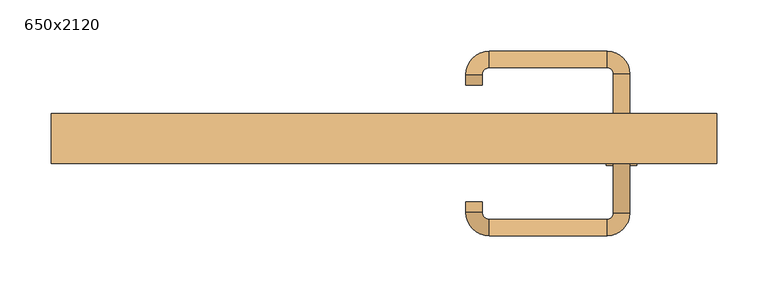
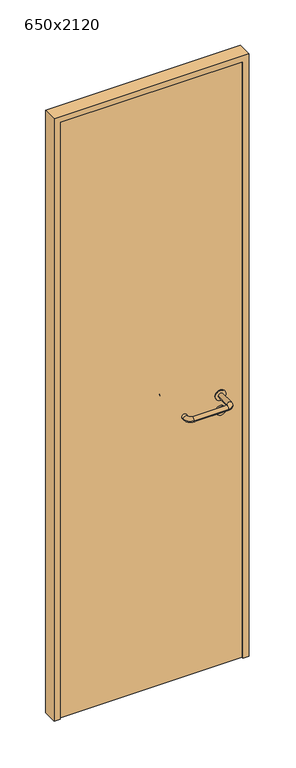
"""IFC4 building model written with IfcOpenShell, lengths in millimetres: door geometry, 650x2120."""

from ifc_helpers import new_model, si_unit, point, frame, frame_2d, origin, origin_with_axes, place, context, project, spatial, polyline, circle_curve, ellipse_curve, trimmed, segment, composite_curve, outline, extrude, source, transform, mapped, element, save
from ifc_brep_helpers import plane_surface, cylinder_surface, revolved_surface, advanced_brep


def door_650x2120_926cf7cd(model_context):
    return source(origin(), model_context, "Body", "SolidModel", [
        extrude(outline(composite_curve([segment(trimmed(circle_curve(frame_2d((897.3605726, 232.0)), 15.0), [point((897.3605726, 247.0))], [point((897.3605726, 217.0))], False, "CARTESIAN"), True, "CONTINUOUS"), segment(trimmed(circle_curve(frame_2d((897.3605726, 232.0)), 15.0), [point((897.3605726, 217.0))], [point((897.3605726, 247.0))], False, "CARTESIAN"), True, "CONTINUOUS")], self_intersect=False), holes=[composite_curve([segment(trimmed(circle_curve(frame_2d((892.5833211, 231.9398032)), 2.0), [point((892.5833211, 233.9398032))], [point((892.5833211, 229.9398032))], True, "CARTESIAN"), True, "CONTINUOUS"), segment(polyline([(892.5833211, 229.9398032), (902.5833211, 229.9398032)]), True, "CONTINUOUS"), segment(trimmed(circle_curve(frame_2d((902.5833211, 231.9398032)), 2.0), [point((902.5833211, 229.9398032))], [point((902.5833211, 233.9398032))], True, "CARTESIAN"), True, "CONTINUOUS"), segment(polyline([(902.5833211, 233.9398032), (892.5833211, 233.9398032)]), True, "CONTINUOUS")], self_intersect=False)]), frame((0.0, 10.0, 0.0), z_axis=(0.0, 1.0, 0.0), x_axis=(0.0, 0.0, 1.0)), (0.0, 0.0, 1.0), 6.35),
        extrude(outline(composite_curve([segment(trimmed(circle_curve(frame_2d((950.0, 232.0)), 17.526), [point((950.0, 249.526))], [point((950.0, 214.474))], False, "CARTESIAN"), True, "CONTINUOUS"), segment(trimmed(circle_curve(frame_2d((950.0, 232.0)), 17.526), [point((950.0, 214.474))], [point((950.0, 249.526))], False, "CARTESIAN"), True, "CONTINUOUS")], self_intersect=False)), frame((0.0, 10.0, 0.0), z_axis=(0.0, 1.0, 0.0), x_axis=(0.0, 0.0, 1.0)), (0.0, 0.0, 1.0), 3.175),
        advanced_brep(
        [(240.0, 10.0, 950.0), (224.0, 10.0, 950.0), (240.0, 63.0, 950.0), (224.0, 63.0, 950.0), (217.8578644, 69.1421356, 950.0), (217.8578644, 85.1421356, 950.0), (102.8578644, 85.1421356, 950.0), (102.8578644, 69.1421356, 950.0), (96.008622, 62.2928932, 950.0), (80.008622, 62.2928932, 950.0), (80.008622, 52.2928932, 950.0), (96.008622, 52.2928932, 950.0)],
        [
            (0, 1, circle_curve(frame((232.0, 10.0, 950.0), z_axis=(0.0, -1.0, 0.0), x_axis=(-1.0, 0.0, 0.0)), 8.0)),
            (1, 0, circle_curve(frame((232.0, 10.0, 950.0), z_axis=(0.0, -1.0, 0.0), x_axis=(-1.0, 0.0, 0.0)), 8.0)),
            (0, 2),
            (2, 3, circle_curve(frame((232.0, 63.0, 950.0), z_axis=(0.0, -1.0, 0.0), x_axis=(-1.0, 0.0, 0.0)), 8.0)),
            (3, 1),
            (3, 2, circle_curve(frame((232.0, 63.0, 950.0), z_axis=(0.0, -1.0, 0.0), x_axis=(-1.0, 0.0, 0.0)), 8.0)),
            (4, 3, circle_curve(frame((217.8578644, 63.0, 950.0), z_axis=(0.0, 0.0, -1.0), x_axis=(1.0, 0.0, 0.0)), 6.1421356)),
            (2, 5, circle_curve(frame((217.8578644, 63.0, 950.0), z_axis=(0.0, 0.0, 1.0), x_axis=(1.0, 0.0, 0.0)), 22.1421356)),
            (5, 4, circle_curve(frame((217.8578644, 77.1421356, 950.0), z_axis=(1.0, 0.0, 0.0), x_axis=(0.0, -1.0, 0.0)), 8.0)),
            (4, 5, circle_curve(frame((217.8578644, 77.1421356, 950.0), z_axis=(1.0, 0.0, 0.0), x_axis=(0.0, -1.0, 0.0)), 8.0)),
            (5, 6),
            (6, 7, circle_curve(frame((102.8578644, 77.1421356, 950.0), z_axis=(1.0, 0.0, 0.0), x_axis=(0.0, -1.0, 0.0)), 8.0)),
            (7, 4),
            (7, 6, circle_curve(frame((102.8578644, 77.1421356, 950.0), z_axis=(1.0, 0.0, 0.0), x_axis=(0.0, -1.0, 0.0)), 8.0)),
            (8, 7, circle_curve(frame((102.8578644, 62.2928932, 950.0), z_axis=(0.0, 0.0, -1.0), x_axis=(0.0, 1.0, 0.0)), 6.8492424)),
            (6, 9, circle_curve(frame((102.8578644, 62.2928932, 950.0), z_axis=(0.0, 0.0, 1.0), x_axis=(0.0, 1.0, 0.0)), 22.8492424)),
            (9, 8, circle_curve(frame((88.008622, 62.2928932, 950.0), z_axis=(0.0, 1.0, 0.0), x_axis=(1.0, 0.0, 0.0)), 8.0)),
            (8, 9, circle_curve(frame((88.008622, 62.2928932, 950.0), z_axis=(0.0, 1.0, 0.0), x_axis=(1.0, 0.0, 0.0)), 8.0)),
            (10, 11, circle_curve(frame((88.008622, 52.2928932, 950.0), z_axis=(0.0, -1.0, 0.0), x_axis=(1.0, 0.0, 0.0)), 8.0)),
            (11, 10, circle_curve(frame((88.008622, 52.2928932, 950.0), z_axis=(0.0, -1.0, 0.0), x_axis=(1.0, 0.0, 0.0)), 8.0)),
            (9, 10),
            (11, 8),
        ],
        [
            plane_surface(frame((232.0, 10.0, 0.0), z_axis=(0.0, -1.0, 0.0), x_axis=(0.0, 0.0, 1.0))),
            cylinder_surface(frame((232.0, 10.0, 950.0), z_axis=(0.0, -1.0, 0.0), x_axis=(-1.0, 0.0, 0.0)), 8.0),
            revolved_surface(trimmed(ellipse_curve(frame((232.0, 63.0, 950.0), z_axis=(0.0, -1.0, 0.0), x_axis=(-1.0, 0.0, 0.0)), 8.0, 8.0), [point((240.0, 63.0, 950.0))], [point((224.0, 63.0, 950.0))], True, "CARTESIAN"), (217.8578644, 63.0, 0.0), (0.0, 0.0, 1.0)),
            revolved_surface(trimmed(ellipse_curve(frame((232.0, 63.0, 950.0), z_axis=(0.0, -1.0, 0.0), x_axis=(-1.0, 0.0, 0.0)), 8.0, 8.0), [point((224.0, 63.0, 950.0))], [point((240.0, 63.0, 950.0))], True, "CARTESIAN"), (217.8578644, 63.0, 0.0), (0.0, 0.0, 1.0)),
            cylinder_surface(frame((217.8578644, 77.1421356, 950.0), z_axis=(1.0, 0.0, 0.0), x_axis=(0.0, -1.0, 0.0)), 8.0),
            revolved_surface(trimmed(ellipse_curve(frame((102.8578644, 77.1421356, 950.0), z_axis=(1.0, 0.0, 0.0), x_axis=(0.0, -1.0, 0.0)), 8.0, 8.0), [point((102.8578644, 85.1421356, 950.0))], [point((102.8578644, 69.1421356, 950.0))], True, "CARTESIAN"), (102.8578644, 62.2928932, 0.0), (0.0, 0.0, 1.0)),
            revolved_surface(trimmed(ellipse_curve(frame((102.8578644, 77.1421356, 950.0), z_axis=(1.0, 0.0, 0.0), x_axis=(0.0, -1.0, 0.0)), 8.0, 8.0), [point((102.8578644, 69.1421356, 950.0))], [point((102.8578644, 85.1421356, 950.0))], True, "CARTESIAN"), (102.8578644, 62.2928932, 0.0), (0.0, 0.0, 1.0)),
            plane_surface(frame((88.008622, 52.2928932, 0.0), z_axis=(0.0, -1.0, 0.0), x_axis=(0.0, 0.0, 1.0))),
            cylinder_surface(frame((88.008622, 62.2928932, 950.0), z_axis=(0.0, 1.0, 0.0), x_axis=(1.0, 0.0, 0.0)), 8.0),
        ],
        [
            (0, [[1, 2]]),
            (1, [[-1, 3, 4, 5]]),
            (1, [[-2, -5, 6, -3]]),
            (2, [[7, -4, 8, 9]]),
            (3, [[-8, -6, -7, 10]]),
            (4, [[-9, 11, 12, 13]]),
            (4, [[-10, -13, 14, -11]]),
            (5, [[15, -12, 16, 17]]),
            (6, [[-16, -14, -15, 18]]),
            (7, [[19, 20]]),
            (8, [[-17, 21, -20, 22]]),
            (8, [[-18, -22, -19, -21]]),
        ],
    ),
        extrude(outline(composite_curve([segment(trimmed(circle_curve(frame_2d((0.0, 15.0)), 15.0), [point((0.0, 30.0))], [point((0.0, 0.0))], False, "CARTESIAN"), True, "CONTINUOUS"), segment(trimmed(circle_curve(frame_2d((0.0, 15.0)), 15.0), [point((0.0, 0.0))], [point((0.0, 30.0))], False, "CARTESIAN"), True, "CONTINUOUS")], self_intersect=False), holes=[composite_curve([segment(trimmed(circle_curve(frame_2d((-4.7772515, 14.9398032)), 2.0), [point((-4.7772515, 16.9398032))], [point((-4.7772515, 12.9398032))], True, "CARTESIAN"), True, "CONTINUOUS"), segment(polyline([(-4.7772515, 12.9398032), (5.2227485, 12.9398032)]), True, "CONTINUOUS"), segment(trimmed(circle_curve(frame_2d((5.2227485, 14.9398032)), 2.0), [point((5.2227485, 12.9398032))], [point((5.2227485, 16.9398032))], True, "CARTESIAN"), True, "CONTINUOUS"), segment(polyline([(5.2227485, 16.9398032), (-4.7772515, 16.9398032)]), True, "CONTINUOUS")], self_intersect=False)]), frame((217.0, -26.35, 897.3605726), z_axis=(-1.8870575173328306e-12, 1.0, 0.0), x_axis=(0.0, 0.0, 1.0)), (0.0, 0.0, 1.0), 6.35),
        extrude(outline(composite_curve([segment(trimmed(circle_curve(frame_2d((0.0, 17.526)), 17.526), [point((0.0, 35.052))], [point((0.0, 0.0))], False, "CARTESIAN"), True, "CONTINUOUS"), segment(trimmed(circle_curve(frame_2d((0.0, 17.526)), 17.526), [point((0.0, 0.0))], [point((0.0, 35.052))], False, "CARTESIAN"), True, "CONTINUOUS")], self_intersect=False)), frame((214.474, -23.175, 950.0), z_axis=(-1.8870575173328306e-12, 1.0, 0.0), x_axis=(0.0, 0.0, 1.0)), (0.0, 0.0, 1.0), 3.175),
        advanced_brep(
        [(240.0, -20.0, 950.0), (224.0, -20.0, 950.0), (224.0, -73.0, 950.0), (240.0, -73.0, 950.0), (217.8578644, -79.1421356, 950.0), (217.8578644, -95.1421356, 950.0), (102.8578644, -79.1421356, 950.0), (102.8578644, -95.1421356, 950.0), (96.008622, -72.2928932, 950.0), (80.008622, -72.2928932, 950.0), (80.008622, -62.2928932, 950.0), (96.008622, -62.2928932, 950.0)],
        [
            (0, 1, circle_curve(frame((232.0, -20.0, 950.0), z_axis=(-1.888672253512351e-12, 1.0, 0.0), x_axis=(-1.0, -1.888672253512351e-12, 0.0)), 8.0)),
            (1, 0, circle_curve(frame((232.0, -20.0, 950.0), z_axis=(-1.888672253512351e-12, 1.0, 0.0), x_axis=(-1.0, -1.888672253512351e-12, 0.0)), 8.0)),
            (1, 2),
            (2, 3, circle_curve(frame((232.0, -73.0, 950.0), z_axis=(-1.888672253512351e-12, 1.0, 0.0), x_axis=(-1.0, -1.888672253512351e-12, 0.0)), 8.0)),
            (3, 0),
            (3, 2, circle_curve(frame((232.0, -73.0, 950.0), z_axis=(-1.888672253512351e-12, 1.0, 0.0), x_axis=(-1.0, -1.888672253512351e-12, 0.0)), 8.0)),
            (4, 5, circle_curve(frame((217.8578644, -87.1421356, 950.0), z_axis=(1.0, 1.913702061528922e-12, 0.0), x_axis=(-1.913702061528922e-12, 1.0, 0.0)), 8.0)),
            (5, 3, circle_curve(frame((217.8578644, -73.0, 950.0), z_axis=(0.0, 0.0, 1.0), x_axis=(1.0, 1.880717803715015e-12, 0.0)), 22.1421356)),
            (2, 4, circle_curve(frame((217.8578644, -73.0, 950.0), z_axis=(0.0, 0.0, -1.0), x_axis=(1.0, 1.880717803715015e-12, 0.0)), 6.1421356)),
            (5, 4, circle_curve(frame((217.8578644, -87.1421356, 950.0), z_axis=(1.0, 1.913702061528922e-12, 0.0), x_axis=(-1.913702061528922e-12, 1.0, 0.0)), 8.0)),
            (4, 6),
            (6, 7, circle_curve(frame((102.8578644, -87.1421356, 950.0), z_axis=(1.0, 1.913719828541269e-12, 0.0), x_axis=(-1.913719828541269e-12, 1.0, 0.0)), 8.0)),
            (7, 5),
            (7, 6, circle_curve(frame((102.8578644, -87.1421356, 950.0), z_axis=(1.0, 1.913719828541269e-12, 0.0), x_axis=(-1.913719828541269e-12, 1.0, 0.0)), 8.0)),
            (8, 9, circle_curve(frame((88.008622, -72.2928932, 950.0), z_axis=(1.8888942981172756e-12, -1.0, 0.0), x_axis=(1.0, 1.8888942981172756e-12, 0.0)), 8.0)),
            (9, 7, circle_curve(frame((102.8578644, -72.2928932, 950.0), z_axis=(0.0, 0.0, 1.0), x_axis=(1.9120873253494017e-12, -1.0, 0.0)), 22.8492424)),
            (6, 8, circle_curve(frame((102.8578644, -72.2928932, 950.0), z_axis=(0.0, 0.0, -1.0), x_axis=(1.9120873253494017e-12, -1.0, 0.0)), 6.8492424)),
            (9, 8, circle_curve(frame((88.008622, -72.2928932, 950.0), z_axis=(1.890448610351751e-12, -1.0, 0.0), x_axis=(1.0, 1.890448610351751e-12, 0.0)), 8.0)),
            (10, 11, circle_curve(frame((88.008622, -62.2928932, 950.0), z_axis=(-1.8903642334018795e-12, 1.0, 0.0), x_axis=(1.0, 1.8903642334018795e-12, 0.0)), 8.0)),
            (11, 10, circle_curve(frame((88.008622, -62.2928932, 950.0), z_axis=(-1.8903642334018795e-12, 1.0, 0.0), x_axis=(1.0, 1.8903642334018795e-12, 0.0)), 8.0)),
            (8, 11),
            (10, 9),
        ],
        [
            plane_surface(frame((232.0, -20.0, 0.0), z_axis=(-1.8870575173328306e-12, 1.0, 0.0), x_axis=(0.0, 0.0, 1.0))),
            cylinder_surface(frame((232.0, -20.0, 950.0), z_axis=(-1.888672253512351e-12, 1.0, 0.0), x_axis=(-1.0, -1.888672253512351e-12, 0.0)), 8.0),
            revolved_surface(trimmed(ellipse_curve(frame((232.0, -73.0, 950.0), z_axis=(1.8823325398945356e-12, -1.0, 0.0), x_axis=(-1.0, -1.8823325398945356e-12, 0.0)), 8.0, 8.0), [point((240.0, -73.0, 950.0))], [point((224.0, -73.0, 950.0))], True, "CARTESIAN"), (217.8578644, -73.0, 0.0), (0.0, 0.0, 1.0)),
            revolved_surface(trimmed(ellipse_curve(frame((232.0, -73.0, 950.0), z_axis=(1.8823325398945356e-12, -1.0, 0.0), x_axis=(-1.0, -1.8823325398945356e-12, 0.0)), 8.0, 8.0), [point((224.0, -73.0, 950.0))], [point((240.0, -73.0, 950.0))], True, "CARTESIAN"), (217.8578644, -73.0, 0.0), (0.0, 0.0, 1.0)),
            cylinder_surface(frame((217.8578644, -87.1421356, 950.0), z_axis=(1.0, 1.913719828541269e-12, 0.0), x_axis=(-1.913719828541269e-12, 1.0, 0.0)), 8.0),
            revolved_surface(trimmed(ellipse_curve(frame((102.8578644, -87.1421356, 950.0), z_axis=(-1.0, -1.913702061528922e-12, 0.0), x_axis=(-1.913702061528922e-12, 1.0, 0.0)), 8.0, 8.0), [point((102.8578644, -95.1421356, 950.0))], [point((102.8578644, -79.1421356, 950.0))], True, "CARTESIAN"), (102.8578644, -72.2928932, 0.0), (0.0, 0.0, 1.0)),
            revolved_surface(trimmed(ellipse_curve(frame((102.8578644, -87.1421356, 950.0), z_axis=(-1.0, -1.913702061528922e-12, 0.0), x_axis=(-1.913702061528922e-12, 1.0, 0.0)), 8.0, 8.0), [point((102.8578644, -79.1421356, 950.0))], [point((102.8578644, -95.1421356, 950.0))], True, "CARTESIAN"), (102.8578644, -72.2928932, 0.0), (0.0, 0.0, 1.0)),
            plane_surface(frame((88.008622, -62.2928932, 0.0), z_axis=(-1.8887494972223595e-12, 1.0, 0.0), x_axis=(0.0, 0.0, 1.0))),
            cylinder_surface(frame((88.008622, -72.2928932, 950.0), z_axis=(1.8903642334018795e-12, -1.0, 0.0), x_axis=(1.0, 1.8903642334018795e-12, 0.0)), 8.0),
        ],
        [
            (0, [[1, 2]]),
            (1, [[3, 4, 5, -2]]),
            (1, [[-5, 6, -3, -1]]),
            (2, [[7, 8, -4, 9]]),
            (3, [[10, -9, -6, -8]]),
            (4, [[11, 12, 13, -7]]),
            (4, [[-13, 14, -11, -10]]),
            (5, [[15, 16, -12, 17]]),
            (6, [[18, -17, -14, -16]]),
            (7, [[19, 20]]),
            (8, [[21, -19, 22, -15]]),
            (8, [[-22, -20, -21, -18]]),
        ],
    ),
        extrude(outline(polyline([(2100.0, 305.0), (0.0, 305.0), (0.0, 325.0), (2120.0, 325.0), (2120.0, -325.0), (0.0, -325.0), (0.0, -305.0), (2100.0, -305.0), (2100.0, 305.0)])), frame((0.0, -25.0, 0.0), z_axis=(0.0, 1.0, 0.0), x_axis=(0.0, 0.0, 1.0)), (0.0, 0.0, 1.0), 49.0),
        extrude(outline(polyline([(-305.0, -20.0), (-305.0, 10.0), (305.0, 10.0), (305.0, -20.0), (-305.0, -20.0)])), origin_with_axes(), (0.0, 0.0, 1.0), 2100.0),
    ])


if __name__ == "__main__":
    model = new_model("IFC4")
    model_context = context("Model", 3, world=origin())
    ifc_project = project(units=[si_unit("LENGTHUNIT", "METRE", prefix="MILLI")], contexts=[model_context])
    site = spatial("IfcSite", under=ifc_project)
    building = spatial("IfcBuilding", under=site)
    placement = place(None, origin())
    door_650x2120_shape = door_650x2120_926cf7cd(model_context)
    element("IfcDoor", 1, ObjectType="650x2120", at=placement, inside=building, context=model_context, shape_type="MappedRepresentation", body=[
        mapped(door_650x2120_shape, transform((0.0, 0.0, 0.0), x_axis=(1.0, 0.0, 0.0), y_axis=(0.0, 1.0, 0.0), z_axis=(0.0, 0.0, 1.0))),
    ])
    save(model, "model.ifc")
